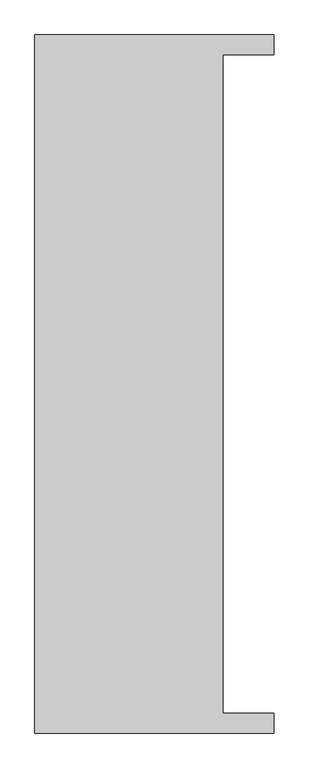
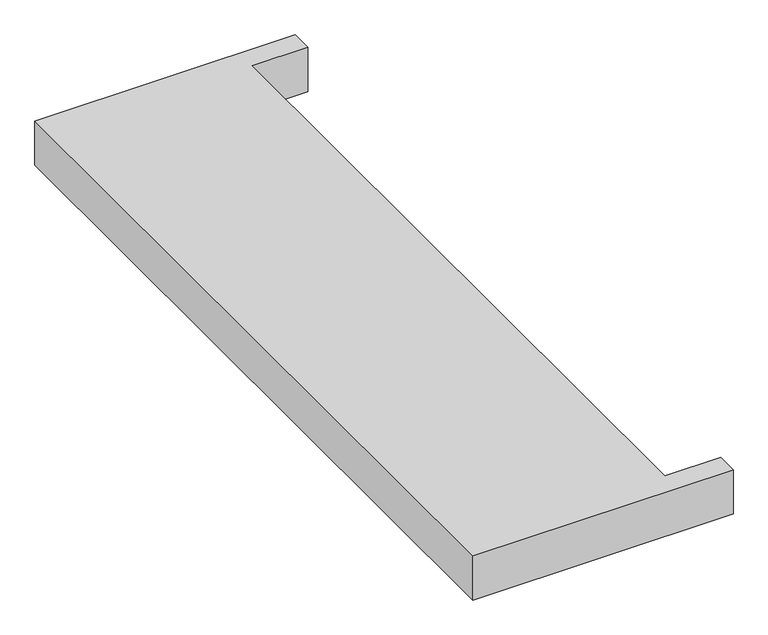
"""IFC4 building model written with IfcOpenShell, lengths in millimetres: proxy geometry."""

from ifc_helpers import new_model, si_unit, origin, origin_with_axes, place, context, project, spatial, polyline, outline, extrude, source, transform, mapped, element, save


def generic_models_2f5cc0d9(model_context):
    return source(origin(), model_context, "Body", "SweptSolid", [
        extrude(outline(polyline([(-2649.6448603, -7913.4498715), (-2649.6448603, -6135.4498715), (-2040.0448603, -6135.4498715), (-2040.0448603, -6186.2498715), (-2170.3846185, -6186.2498715), (-2170.3846185, -7862.6498715), (-2040.0448603, -7862.6498715), (-2040.0448603, -7913.4498715), (-2649.6448603, -7913.4498715)])), origin_with_axes(), (0.0, 0.0, 1.0), 109.789926),
    ])


if __name__ == "__main__":
    model = new_model("IFC4")
    model_context = context("Model", 3, world=origin())
    ifc_project = project(units=[si_unit("LENGTHUNIT", "METRE", prefix="MILLI")], contexts=[model_context])
    site = spatial("IfcSite", under=ifc_project)
    building = spatial("IfcBuilding", under=site)
    placement = place(None, origin())
    generic_models_shape = generic_models_2f5cc0d9(model_context)
    element("IfcBuildingElementProxy", 1, Name="Generic Models", at=placement, inside=building, context=model_context, shape_type="MappedRepresentation", body=[
        mapped(generic_models_shape, transform((0.0, 0.0, 0.0), x_axis=(1.0, 0.0, 0.0), y_axis=(0.0, 1.0, 0.0), z_axis=(0.0, 0.0, 1.0))),
    ])
    save(model, "model.ifc")
